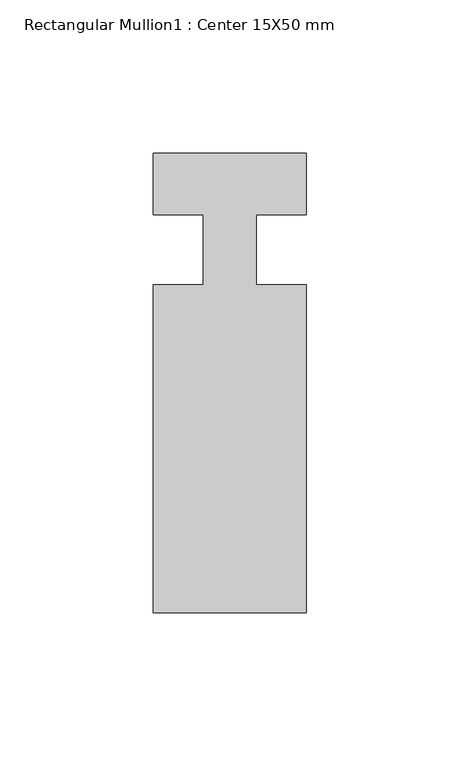
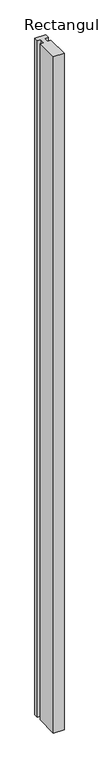
"""IFC4 building model written with IfcOpenShell, lengths in millimetres: member geometry, Rectangular Mullion1 : Center 15X50 mm."""

from ifc_helpers import new_model, si_unit, frame, origin, place, context, project, spatial, polyline, outline, extrude, source, transform, mapped, element, save


def rectangular_mullion1_center_15x50_mm_07ad975f(model_context):
    return source(origin(), model_context, "Body", "SweptSolid", [
        extrude(outline(polyline([(-50.0, 17.0), (0.0, 17.0), (0.0, -3.0), (-16.3125, -3.0), (-16.3125, -25.8846154), (0.0, -25.8846154), (0.0, -133.0), (-50.0, -133.0), (-50.0, -25.8846154), (-33.6875, -25.8846154), (-33.6875, -3.0), (-50.0, -3.0), (-50.0, 17.0)])), frame((0.0, 0.0, -3350.0), z_axis=(0.0, 0.0, 1.0), x_axis=(1.0, 0.0, 0.0)), (0.0, 0.0, 1.0), 3350.0),
    ])


if __name__ == "__main__":
    model = new_model("IFC4")
    model_context = context("Model", 3, world=origin())
    ifc_project = project(units=[si_unit("LENGTHUNIT", "METRE", prefix="MILLI")], contexts=[model_context])
    site = spatial("IfcSite", under=ifc_project)
    building = spatial("IfcBuilding", under=site)
    placement = place(None, origin())
    rectangular_mullion1_center_15x50_mm_shape = rectangular_mullion1_center_15x50_mm_07ad975f(model_context)
    element("IfcMember", 1, ObjectType="Rectangular Mullion1 : Center 15X50 mm", at=placement, inside=building, context=model_context, shape_type="MappedRepresentation", body=[
        mapped(rectangular_mullion1_center_15x50_mm_shape, transform((0.0, 0.0, 0.0), x_axis=(1.0, 0.0, 0.0), y_axis=(0.0, 1.0, 0.0), z_axis=(0.0, 0.0, 1.0))),
    ])
    save(model, "model.ifc")
